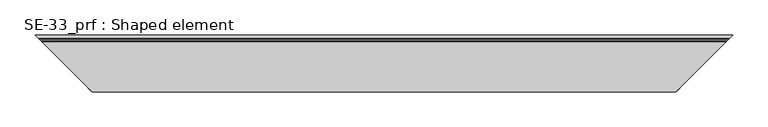
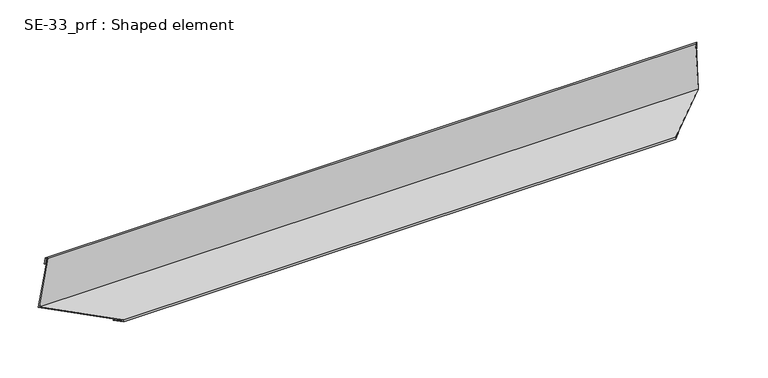
"""IFC4 building model written with IfcOpenShell, lengths in millimetres: proxy geometry, SE-33_prf : Shaped element."""

import ifcopenshell
import ifcopenshell.guid

model = None  # the IFC model being written
_history = None  # IfcOwnerHistory: only IFC2X3 demands one
_inside = {}  # id of a spatial element -> (the spatial element, [elements in it])
_under = {}  # id of a project, library or spatial element -> (it, [spatial elements below it])
_declared = {}  # id of a project -> (the project, [libraries it declares])
_typed = {}  # id of a type object -> (the type object, [elements of that type])
_made_of = {}  # id of a material, layer set ... -> (it, [elements and type objects made of it])


def new_model(schema):
    """Start an empty IFC model of exactly this schema.

    Asked for "IFC4X3", IfcOpenShell would pick the latest addendum, in which some entities
    have other attributes; the version numbers below select the first issue.
    IFC2X3 requires an IfcOwnerHistory on every rooted entity: one is made here for all.
    """
    global model, _history
    if schema == "IFC4X3":
        model = ifcopenshell.file(schema_version=(4, 3, 0, 0))
    else:
        model = ifcopenshell.file(schema=schema)
    _inside.clear()
    _under.clear()
    _declared.clear()
    _typed.clear()
    _made_of.clear()
    _history = None
    if model.schema == "IFC2X3":
        org = make("IfcOrganization", Name="unknown")
        user = make(
            "IfcPersonAndOrganization",
            ThePerson=make("IfcPerson", FamilyName="unknown"),
            TheOrganization=org,
        )
        app = make(
            "IfcApplication",
            ApplicationDeveloper=org,
            Version="unknown",
            ApplicationFullName="unknown",
            ApplicationIdentifier="unknown",
        )
        _history = make(
            "IfcOwnerHistory",
            OwningUser=user,
            OwningApplication=app,
            ChangeAction="ADDED",
            CreationDate=0,
        )
    return model


def make(cls, **values):
    """One entity of the class cls with the attributes given. An attribute that is None is left unset."""
    return model.create_entity(
        cls, **{name: value for name, value in values.items() if value is not None}
    )


def rooted(cls, **values):
    """An entity with a GlobalId (a new one), such as an element, a storey or a relation."""
    return make(cls, GlobalId=ifcopenshell.guid.new(), OwnerHistory=_history, **values)


def si_unit(unit_type, name, prefix=None):
    """IfcSIUnit, for example si_unit("LENGTHUNIT", "METRE", prefix="MILLI")."""
    return make("IfcSIUnit", UnitType=unit_type, Prefix=prefix, Name=name)


def assignment(units):
    """IfcUnitAssignment: the units of a project."""
    return None if units is None else make("IfcUnitAssignment", Units=units)


def point(xyz):
    """IfcCartesianPoint."""
    return None if xyz is None else make("IfcCartesianPoint", Coordinates=xyz)


def direction(xyz):
    """IfcDirection."""
    return None if xyz is None else make("IfcDirection", DirectionRatios=xyz)


def frame(location, z_axis=None, x_axis=None):
    """IfcAxis2Placement3D, a coordinate frame: its origin and axes. An axis left out is left unset."""
    return make(
        "IfcAxis2Placement3D",
        Location=point(location),
        Axis=direction(z_axis),
        RefDirection=direction(x_axis),
    )


def origin():
    """The frame at (0, 0, 0) with its axes left unset."""
    return frame((0.0, 0.0, 0.0))


def place(relative_to, where):
    """IfcLocalPlacement: puts the frame where relative to a parent placement (None: the world)."""
    return make(
        "IfcLocalPlacement", PlacementRelTo=relative_to, RelativePlacement=where
    )


def context(
    kind, dimensions, precision=None, world=None, true_north=None, identifier=None
):
    """IfcGeometricRepresentationContext, for example the 3D "Model" context."""
    return make(
        "IfcGeometricRepresentationContext",
        ContextIdentifier=identifier,
        ContextType=kind,
        CoordinateSpaceDimension=dimensions,
        Precision=precision,
        WorldCoordinateSystem=world,
        TrueNorth=true_north,
    )


def project(units=None, contexts=None):
    """IfcProject with its units and contexts."""
    return rooted(
        "IfcProject",
        Name="project",
        RepresentationContexts=contexts,
        UnitsInContext=assignment(units),
    )


def spatial(cls, under=None, at=None, **own):
    """A site, building, storey or space (cls), placed at a placement, below another one or the project."""
    s = rooted(cls, ObjectPlacement=at, **own)
    if under is not None:
        _under.setdefault(under.id(), (under, []))[1].append(s)
    return s


def faces_of(points, faces, orient=None, outer=None):
    """IfcFace entities. A face is a list of loops; a loop is a list of indices into points, from 0.

    orient and outer hold one flag for each loop. By default every Orientation is true, the
    first loop of a face is its IfcFaceOuterBound and the others are IfcFaceBound.
    """
    made = []
    for i, loops in enumerate(faces):
        bounds = []
        for j, loop in enumerate(loops):
            is_outer = j == 0 if outer is None else outer[i][j]
            bounds.append(
                make(
                    "IfcFaceOuterBound" if is_outer else "IfcFaceBound",
                    Bound=make("IfcPolyLoop", Polygon=[points[k] for k in loop]),
                    Orientation=True if orient is None else orient[i][j],
                )
            )
        made.append(make("IfcFace", Bounds=bounds))
    return made


def faceted_brep(points, faces, orient=None, outer=None, voids=None):
    """IfcFacetedBrep: a solid bounded by flat faces; with voids (closed shells), ...WithVoids."""
    shared = [point(p) for p in points]
    hull = make("IfcClosedShell", CfsFaces=faces_of(shared, faces, orient, outer))
    if voids is None:
        return make("IfcFacetedBrep", Outer=hull)
    return make(
        "IfcFacetedBrepWithVoids",
        Outer=hull,
        Voids=[
            make(cls, CfsFaces=faces_of(shared, fs, o, b)) for cls, fs, o, b in voids
        ],
    )


def shape(context_of_items, identifier, shape_type, items):
    """IfcShapeRepresentation: the items that make up one representation, for example the "Body"."""
    return make(
        "IfcShapeRepresentation",
        ContextOfItems=context_of_items,
        RepresentationIdentifier=identifier,
        RepresentationType=shape_type,
        Items=items,
    )


def source(mapping_origin, context_of_items, identifier, shape_type, items):
    """IfcRepresentationMap: a shape defined once, which mapped items show again and again."""
    return make(
        "IfcRepresentationMap",
        MappingOrigin=mapping_origin,
        MappedRepresentation=shape(context_of_items, identifier, shape_type, items),
    )


def transform(
    local_origin,
    x_axis=None,
    y_axis=None,
    z_axis=None,
    scale=None,
    scale2=None,
    scale3=None,
    uniform=True,
):
    """IfcCartesianTransformationOperator3D, or its non-uniform kind. x_axis, y_axis, z_axis: its Axis1, 2, 3."""
    if uniform:
        return make(
            "IfcCartesianTransformationOperator3D",
            Axis1=direction(x_axis),
            Axis2=direction(y_axis),
            LocalOrigin=point(local_origin),
            Scale=scale,
            Axis3=direction(z_axis),
        )
    return make(
        "IfcCartesianTransformationOperator3DnonUniform",
        Axis1=direction(x_axis),
        Axis2=direction(y_axis),
        LocalOrigin=point(local_origin),
        Scale=scale,
        Axis3=direction(z_axis),
        Scale2=scale2,
        Scale3=scale3,
    )


def mapped(mapping_source, mapping_target):
    """IfcMappedItem: shows the shape of a source again, moved by a transform."""
    return make(
        "IfcMappedItem", MappingSource=mapping_source, MappingTarget=mapping_target
    )


def made_of(thing, what):
    """Note that an element or type object is made of a material, layer set ...; save() writes the relation."""
    if what is not None:
        _made_of.setdefault(what.id(), (what, []))[1].append(thing)
    return thing


def element(
    cls,
    number,
    at=None,
    inside=None,
    cuts=None,
    type_object=None,
    material=None,
    context=None,
    identifier="Body",
    shape_type=None,
    held_by="IfcProductDefinitionShape",
    body=None,
    shapes=None,
    **own,
):
    """One element of the class cls, such as IfcWall. Its Tag is "e" and its number.

    at: its placement. inside: the storey or other place that contains it. cuts: it is an
    opening in that element (IfcRelVoidsElement). A single representation is given by context,
    identifier, shape_type and body (its items); several are given by shapes. held_by: the class
    of the entity that holds the representations. save() writes the other relations.
    """
    e = rooted(cls, Tag="e%d" % number, ObjectPlacement=at, **own)
    if body is not None:
        shapes = [shape(context, identifier, shape_type, body)]
    if shapes is not None:
        e.Representation = make(held_by, Representations=shapes)
    if inside is not None:
        _inside.setdefault(inside.id(), (inside, []))[1].append(e)
    if cuts is not None:
        rooted(
            "IfcRelVoidsElement", RelatingBuildingElement=cuts, RelatedOpeningElement=e
        )
    if type_object is not None:
        _typed.setdefault(type_object.id(), (type_object, []))[1].append(e)
    return made_of(e, material)


def aggregate(whole, parts):
    """IfcRelAggregates: a whole, such as a stair, and the parts it consists of."""
    return rooted("IfcRelAggregates", RelatingObject=whole, RelatedObjects=parts)


def save(model, path):
    """Write the relations noted so far, then the file.

    IfcRelAggregates (storeys below a building ...), IfcRelContainedInSpatialStructure (elements
    in a storey), IfcRelDefinesByType, IfcRelAssociatesMaterial and IfcRelDeclares: one each for
    every whole, place, type object, material and project.
    """
    for whole, parts in _under.values():
        aggregate(whole, parts)
    for where, things in _inside.values():
        rooted(
            "IfcRelContainedInSpatialStructure",
            RelatedElements=things,
            RelatingStructure=where,
        )
    for kind, things in _typed.values():
        rooted("IfcRelDefinesByType", RelatedObjects=things, RelatingType=kind)
    for what, things in _made_of.values():
        rooted("IfcRelAssociatesMaterial", RelatedObjects=things, RelatingMaterial=what)
    for by, libraries in _declared.values():
        rooted("IfcRelDeclares", RelatingContext=by, RelatedDefinitions=libraries)
    model.write(path)


def se_33_prf_shaped_element_74325ceb(model_context):
    return source(origin(), model_context, "Body", "Brep", [
        faceted_brep([(85.0275414, -85.0275414, 2.0), (75.0275414, -75.0275414, 2.0), (924.9724586, -75.0275414, 2.0), (914.9724586, -85.0275414, 2.0), (85.0275414, -85.0275414, 5.0), (914.9724586, -85.0275414, 5.0), (5.0275414, -5.0275414, 5.0), (994.9724586, -5.0275414, 5.0), (13.3898185, -13.3898185, 84.5617516), (986.6101815, -13.3898185, 84.5617516), (10.4062528, -10.4062528, 84.875337), (9.3609681, -9.3609681, 74.9301181), (10.35549, -10.35549, 74.8255896), (11.2962462, -11.2962462, 83.7762867), (12.2907681, -12.2907681, 83.6717582), (3.9169289, -3.9169289, 4.0), (84.0275414, -84.0275414, 4.0), (84.0275414, -84.0275414, 3.0), (75.0275414, -75.0275414, 3.0), (924.9724586, -75.0275414, 3.0), (915.9724586, -84.0275414, 3.0), (915.9724586, -84.0275414, 4.0), (996.0830711, -3.9169289, 4.0), (987.7092319, -12.2907681, 83.6717582), (988.7037538, -11.2962462, 83.7762867), (989.64451, -10.35549, 74.8255896), (990.6390319, -9.3609681, 74.9301181), (989.5937472, -10.4062528, 84.875337)], [[[0, 1, 2, 3]], [[4, 0, 3, 5]], [[6, 4, 5, 7]], [[8, 6, 7, 9]], [[1, 0, 4, 6, 8, 10, 11, 12, 13, 14, 15, 16, 17, 18]], [[3, 2, 19, 20, 21, 22, 23, 24, 25, 26, 27, 9, 7, 5]], [[10, 8, 9, 27]], [[11, 10, 27, 26]], [[12, 11, 26, 25]], [[13, 12, 25, 24]], [[14, 13, 24, 23]], [[15, 14, 23, 22]], [[16, 15, 22, 21]], [[17, 16, 21, 20]], [[18, 17, 20, 19]], [[1, 18, 19, 2]]]),
    ])


if __name__ == "__main__":
    model = new_model("IFC4")
    model_context = context("Model", 3, world=origin())
    ifc_project = project(units=[si_unit("LENGTHUNIT", "METRE", prefix="MILLI")], contexts=[model_context])
    site = spatial("IfcSite", under=ifc_project)
    building = spatial("IfcBuilding", under=site)
    placement = place(None, origin())
    se_33_prf_shaped_element_shape = se_33_prf_shaped_element_74325ceb(model_context)
    element("IfcBuildingElementProxy", 1, Name="SE-33_prf : Shaped element", ObjectType="SE-33_prf : Shaped element", at=placement, inside=building, context=model_context, shape_type="MappedRepresentation", body=[
        mapped(se_33_prf_shaped_element_shape, transform((0.0, 0.0, 0.0), x_axis=(1.0, 0.0, 0.0), y_axis=(0.0, 1.0, 0.0), z_axis=(0.0, 0.0, 1.0))),
    ])
    save(model, "model.ifc")
